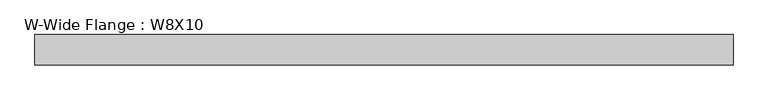
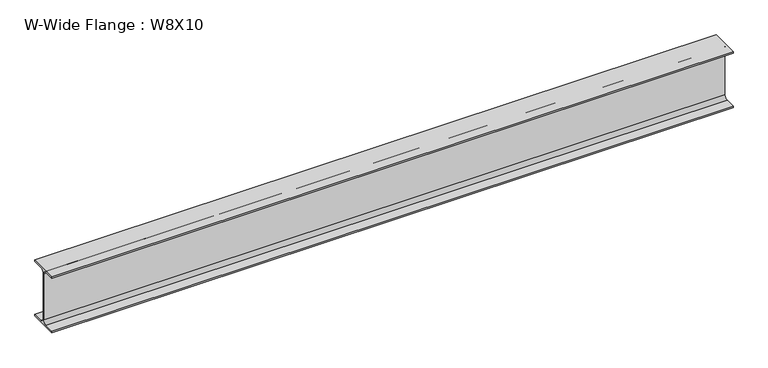
"""IFC4 building model written with IfcOpenShell, lengths in millimetres: beam geometry, W-Wide Flange : W8X10."""

from ifc_helpers import new_model, si_unit, point, frame, frame_2d, origin, place, context, project, spatial, polyline, circle_curve, trimmed, segment, composite_curve, outline, extrude, source, transform, mapped, element, save


def w_wide_flange_w8x10_56e1797c(model_context):
    return source(origin(), model_context, "Body", "SweptSolid", [
        extrude(outline(composite_curve([segment(polyline([(50.0558594, -95.0515625), (50.0558594, -100.2109375), (-50.0558594, -100.2109375), (-50.0558594, -95.0515625), (-14.4859375, -95.0515625)]), True, "CONTINUOUS"), segment(trimmed(circle_curve(frame_2d((-14.4859375, -82.7484375)), 12.303125), [point((-14.4859375, -95.0515625))], [point((-2.1828125, -82.7484375))], True, "CARTESIAN"), True, "CONTINUOUS"), segment(polyline([(-2.1828125, -82.7484375), (-2.1828125, 82.7484375)]), True, "CONTINUOUS"), segment(trimmed(circle_curve(frame_2d((-14.4859375, 82.7484375)), 12.303125), [point((-2.1828125, 82.7484375))], [point((-14.4859375, 95.0515625))], True, "CARTESIAN"), True, "CONTINUOUS"), segment(polyline([(-14.4859375, 95.0515625), (-50.0558594, 95.0515625), (-50.0558594, 100.2109375), (50.0558594, 100.2109375), (50.0558594, 95.0515625), (14.4859375, 95.0515625)]), True, "CONTINUOUS"), segment(trimmed(circle_curve(frame_2d((14.4859375, 82.7484375)), 12.303125), [point((14.4859375, 95.0515625))], [point((2.1828125, 82.7484375))], True, "CARTESIAN"), True, "CONTINUOUS"), segment(polyline([(2.1828125, 82.7484375), (2.1828125, -82.7484375)]), True, "CONTINUOUS"), segment(trimmed(circle_curve(frame_2d((14.4859375, -82.7484375)), 12.303125), [point((2.1828125, -82.7484375))], [point((14.4859375, -95.0515625))], True, "CARTESIAN"), True, "CONTINUOUS"), segment(polyline([(14.4859375, -95.0515625), (50.0558594, -95.0515625)]), True, "CONTINUOUS")], self_intersect=False)), frame((-1156.1960937, 0.0, 0.0), z_axis=(1.0, 0.0, 0.0), x_axis=(0.0, 1.0, 0.0)), (0.0, 0.0, 1.0), 2312.3921875),
    ])


if __name__ == "__main__":
    model = new_model("IFC4")
    model_context = context("Model", 3, world=origin())
    ifc_project = project(units=[si_unit("LENGTHUNIT", "METRE", prefix="MILLI")], contexts=[model_context])
    site = spatial("IfcSite", under=ifc_project)
    building = spatial("IfcBuilding", under=site)
    placement = place(None, origin())
    w_wide_flange_w8x10_shape = w_wide_flange_w8x10_56e1797c(model_context)
    element("IfcBeam", 1, ObjectType="W-Wide Flange : W8X10", at=placement, inside=building, context=model_context, shape_type="MappedRepresentation", body=[
        mapped(w_wide_flange_w8x10_shape, transform((0.0, 0.0, 0.0), x_axis=(1.0, 0.0, 0.0), y_axis=(0.0, 1.0, 0.0), z_axis=(0.0, 0.0, 1.0))),
    ])
    save(model, "model.ifc")
